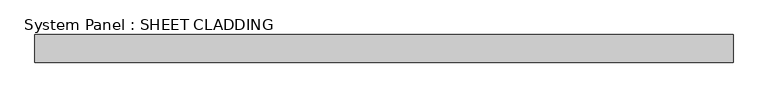
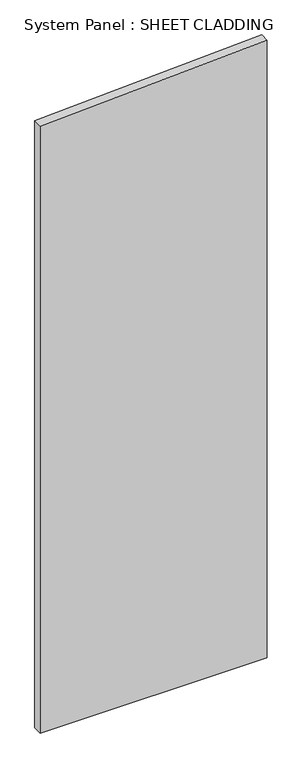
"""IFC4 building model written with IfcOpenShell, lengths in millimetres: plate geometry, System Panel : SHEET CLADDING."""

import ifcopenshell
import ifcopenshell.guid

model = None  # the IFC model being written
_history = None  # IfcOwnerHistory: only IFC2X3 demands one
_inside = {}  # id of a spatial element -> (the spatial element, [elements in it])
_under = {}  # id of a project, library or spatial element -> (it, [spatial elements below it])
_declared = {}  # id of a project -> (the project, [libraries it declares])
_typed = {}  # id of a type object -> (the type object, [elements of that type])
_made_of = {}  # id of a material, layer set ... -> (it, [elements and type objects made of it])


def new_model(schema):
    """Start an empty IFC model of exactly this schema.

    Asked for "IFC4X3", IfcOpenShell would pick the latest addendum, in which some entities
    have other attributes; the version numbers below select the first issue.
    IFC2X3 requires an IfcOwnerHistory on every rooted entity: one is made here for all.
    """
    global model, _history
    if schema == "IFC4X3":
        model = ifcopenshell.file(schema_version=(4, 3, 0, 0))
    else:
        model = ifcopenshell.file(schema=schema)
    _inside.clear()
    _under.clear()
    _declared.clear()
    _typed.clear()
    _made_of.clear()
    _history = None
    if model.schema == "IFC2X3":
        org = make("IfcOrganization", Name="unknown")
        user = make(
            "IfcPersonAndOrganization",
            ThePerson=make("IfcPerson", FamilyName="unknown"),
            TheOrganization=org,
        )
        app = make(
            "IfcApplication",
            ApplicationDeveloper=org,
            Version="unknown",
            ApplicationFullName="unknown",
            ApplicationIdentifier="unknown",
        )
        _history = make(
            "IfcOwnerHistory",
            OwningUser=user,
            OwningApplication=app,
            ChangeAction="ADDED",
            CreationDate=0,
        )
    return model


def make(cls, **values):
    """One entity of the class cls with the attributes given. An attribute that is None is left unset."""
    return model.create_entity(
        cls, **{name: value for name, value in values.items() if value is not None}
    )


def rooted(cls, **values):
    """An entity with a GlobalId (a new one), such as an element, a storey or a relation."""
    return make(cls, GlobalId=ifcopenshell.guid.new(), OwnerHistory=_history, **values)


def si_unit(unit_type, name, prefix=None):
    """IfcSIUnit, for example si_unit("LENGTHUNIT", "METRE", prefix="MILLI")."""
    return make("IfcSIUnit", UnitType=unit_type, Prefix=prefix, Name=name)


def assignment(units):
    """IfcUnitAssignment: the units of a project."""
    return None if units is None else make("IfcUnitAssignment", Units=units)


def point(xyz):
    """IfcCartesianPoint."""
    return None if xyz is None else make("IfcCartesianPoint", Coordinates=xyz)


def direction(xyz):
    """IfcDirection."""
    return None if xyz is None else make("IfcDirection", DirectionRatios=xyz)


def frame(location, z_axis=None, x_axis=None):
    """IfcAxis2Placement3D, a coordinate frame: its origin and axes. An axis left out is left unset."""
    return make(
        "IfcAxis2Placement3D",
        Location=point(location),
        Axis=direction(z_axis),
        RefDirection=direction(x_axis),
    )


def origin():
    """The frame at (0, 0, 0) with its axes left unset."""
    return frame((0.0, 0.0, 0.0))


def place(relative_to, where):
    """IfcLocalPlacement: puts the frame where relative to a parent placement (None: the world)."""
    return make(
        "IfcLocalPlacement", PlacementRelTo=relative_to, RelativePlacement=where
    )


def context(
    kind, dimensions, precision=None, world=None, true_north=None, identifier=None
):
    """IfcGeometricRepresentationContext, for example the 3D "Model" context."""
    return make(
        "IfcGeometricRepresentationContext",
        ContextIdentifier=identifier,
        ContextType=kind,
        CoordinateSpaceDimension=dimensions,
        Precision=precision,
        WorldCoordinateSystem=world,
        TrueNorth=true_north,
    )


def project(units=None, contexts=None):
    """IfcProject with its units and contexts."""
    return rooted(
        "IfcProject",
        Name="project",
        RepresentationContexts=contexts,
        UnitsInContext=assignment(units),
    )


def spatial(cls, under=None, at=None, **own):
    """A site, building, storey or space (cls), placed at a placement, below another one or the project."""
    s = rooted(cls, ObjectPlacement=at, **own)
    if under is not None:
        _under.setdefault(under.id(), (under, []))[1].append(s)
    return s


def polyline(points):
    """IfcPolyline through the points."""
    return make("IfcPolyline", Points=[point(p) for p in points])


def outline(outer, holes=None, kind="AREA"):
    """IfcArbitraryClosedProfileDef: a profile drawn as a closed curve; with holes, ...WithVoids."""
    if holes is None:
        return make("IfcArbitraryClosedProfileDef", ProfileType=kind, OuterCurve=outer)
    return make(
        "IfcArbitraryProfileDefWithVoids",
        ProfileType=kind,
        OuterCurve=outer,
        InnerCurves=holes,
    )


def extrude(swept, where, along, depth):
    """IfcExtrudedAreaSolid: the profile swept, set in the frame where, extruded along a direction by depth."""
    return make(
        "IfcExtrudedAreaSolid",
        SweptArea=swept,
        Position=where,
        ExtrudedDirection=direction(along),
        Depth=depth,
    )


def shape(context_of_items, identifier, shape_type, items):
    """IfcShapeRepresentation: the items that make up one representation, for example the "Body"."""
    return make(
        "IfcShapeRepresentation",
        ContextOfItems=context_of_items,
        RepresentationIdentifier=identifier,
        RepresentationType=shape_type,
        Items=items,
    )


def source(mapping_origin, context_of_items, identifier, shape_type, items):
    """IfcRepresentationMap: a shape defined once, which mapped items show again and again."""
    return make(
        "IfcRepresentationMap",
        MappingOrigin=mapping_origin,
        MappedRepresentation=shape(context_of_items, identifier, shape_type, items),
    )


def transform(
    local_origin,
    x_axis=None,
    y_axis=None,
    z_axis=None,
    scale=None,
    scale2=None,
    scale3=None,
    uniform=True,
):
    """IfcCartesianTransformationOperator3D, or its non-uniform kind. x_axis, y_axis, z_axis: its Axis1, 2, 3."""
    if uniform:
        return make(
            "IfcCartesianTransformationOperator3D",
            Axis1=direction(x_axis),
            Axis2=direction(y_axis),
            LocalOrigin=point(local_origin),
            Scale=scale,
            Axis3=direction(z_axis),
        )
    return make(
        "IfcCartesianTransformationOperator3DnonUniform",
        Axis1=direction(x_axis),
        Axis2=direction(y_axis),
        LocalOrigin=point(local_origin),
        Scale=scale,
        Axis3=direction(z_axis),
        Scale2=scale2,
        Scale3=scale3,
    )


def mapped(mapping_source, mapping_target):
    """IfcMappedItem: shows the shape of a source again, moved by a transform."""
    return make(
        "IfcMappedItem", MappingSource=mapping_source, MappingTarget=mapping_target
    )


def made_of(thing, what):
    """Note that an element or type object is made of a material, layer set ...; save() writes the relation."""
    if what is not None:
        _made_of.setdefault(what.id(), (what, []))[1].append(thing)
    return thing


def element(
    cls,
    number,
    at=None,
    inside=None,
    cuts=None,
    type_object=None,
    material=None,
    context=None,
    identifier="Body",
    shape_type=None,
    held_by="IfcProductDefinitionShape",
    body=None,
    shapes=None,
    **own,
):
    """One element of the class cls, such as IfcWall. Its Tag is "e" and its number.

    at: its placement. inside: the storey or other place that contains it. cuts: it is an
    opening in that element (IfcRelVoidsElement). A single representation is given by context,
    identifier, shape_type and body (its items); several are given by shapes. held_by: the class
    of the entity that holds the representations. save() writes the other relations.
    """
    e = rooted(cls, Tag="e%d" % number, ObjectPlacement=at, **own)
    if body is not None:
        shapes = [shape(context, identifier, shape_type, body)]
    if shapes is not None:
        e.Representation = make(held_by, Representations=shapes)
    if inside is not None:
        _inside.setdefault(inside.id(), (inside, []))[1].append(e)
    if cuts is not None:
        rooted(
            "IfcRelVoidsElement", RelatingBuildingElement=cuts, RelatedOpeningElement=e
        )
    if type_object is not None:
        _typed.setdefault(type_object.id(), (type_object, []))[1].append(e)
    return made_of(e, material)


def aggregate(whole, parts):
    """IfcRelAggregates: a whole, such as a stair, and the parts it consists of."""
    return rooted("IfcRelAggregates", RelatingObject=whole, RelatedObjects=parts)


def save(model, path):
    """Write the relations noted so far, then the file.

    IfcRelAggregates (storeys below a building ...), IfcRelContainedInSpatialStructure (elements
    in a storey), IfcRelDefinesByType, IfcRelAssociatesMaterial and IfcRelDeclares: one each for
    every whole, place, type object, material and project.
    """
    for whole, parts in _under.values():
        aggregate(whole, parts)
    for where, things in _inside.values():
        rooted(
            "IfcRelContainedInSpatialStructure",
            RelatedElements=things,
            RelatingStructure=where,
        )
    for kind, things in _typed.values():
        rooted("IfcRelDefinesByType", RelatedObjects=things, RelatingType=kind)
    for what, things in _made_of.values():
        rooted("IfcRelAssociatesMaterial", RelatedObjects=things, RelatingMaterial=what)
    for by, libraries in _declared.values():
        rooted("IfcRelDeclares", RelatingContext=by, RelatedDefinitions=libraries)
    model.write(path)


def system_panel_sheet_cladding_025bc7b2(model_context):
    return source(origin(), model_context, "Body", "SweptSolid", [
        extrude(outline(polyline([(0.0, -750.0), (0.0, 750.0), (4310.1, 750.0), (4235.1, -750.0), (0.0, -750.0)])), frame((0.0, -49.5, 0.0), z_axis=(0.0, 1.0, 0.0), x_axis=(0.0, 0.0, 1.0)), (0.0, 0.0, 1.0), 60.0),
    ])


if __name__ == "__main__":
    model = new_model("IFC4")
    model_context = context("Model", 3, world=origin())
    ifc_project = project(units=[si_unit("LENGTHUNIT", "METRE", prefix="MILLI")], contexts=[model_context])
    site = spatial("IfcSite", under=ifc_project)
    building = spatial("IfcBuilding", under=site)
    placement = place(None, origin())
    system_panel_sheet_cladding_shape = system_panel_sheet_cladding_025bc7b2(model_context)
    element("IfcPlate", 1, ObjectType="System Panel : SHEET CLADDING", at=placement, inside=building, context=model_context, shape_type="MappedRepresentation", body=[
        mapped(system_panel_sheet_cladding_shape, transform((0.0, 0.0, 0.0), x_axis=(1.0, 0.0, 0.0), y_axis=(0.0, 1.0, 0.0), z_axis=(0.0, 0.0, 1.0))),
    ])
    save(model, "model.ifc")
